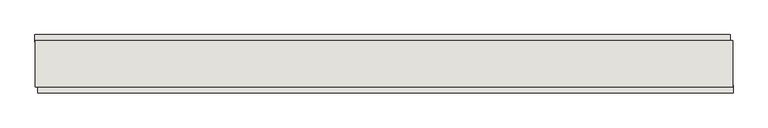
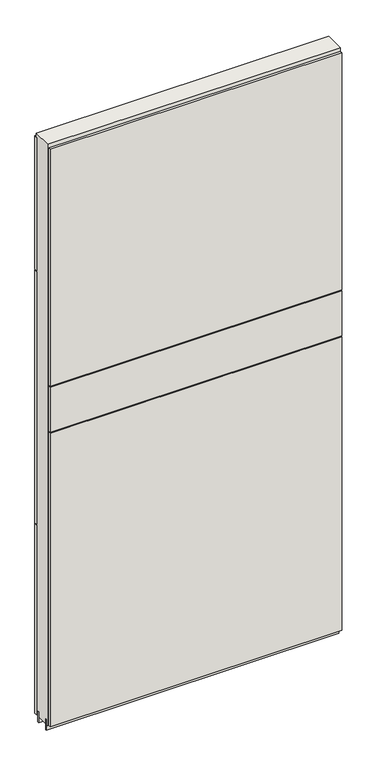
"""IFC4 building model written with IfcOpenShell, lengths in millimetres: wall geometry."""

from ifc_helpers import new_model, si_unit, frame, origin, place, context, project, spatial, polyline, outline, extrude, source, transform, mapped, element, save


def wall_7c0002fb(model_context):
    return source(origin(), model_context, "Body", "SweptSolid", [
        extrude(outline(polyline([(59847.5668172, -52822.2095954), (59850.1068172, -52822.2095954), (59850.1068172, -52824.7495954), (59847.5668172, -52824.7495954), (59847.5668172, -52822.2095954)])), frame((0.0, 0.0, 4419.6), z_axis=(0.0, 0.0, 1.0), x_axis=(1.0, 0.0, 0.0)), (0.0, 0.0, 1.0), 2.54),
        extrude(outline(polyline([(59850.5699354, -52874.2795954), (58635.3699274, -52874.2795954), (58635.3699274, -52861.5795954), (59850.5699354, -52861.5795954), (59850.5699354, -52874.2795954)])), frame((0.0, 0.0, 5945.6000722), z_axis=(0.0, 0.0, 1.0), x_axis=(1.0, 0.0, 0.0)), (0.0, 0.0, 1.0), 1044.449905),
        extrude(outline(polyline([(59850.5699354, -52874.2795954), (58635.3699274, -52874.2795954), (58635.3699274, -52861.5795954), (59850.5699354, -52861.5795954), (59850.5699354, -52874.2795954)])), frame((0.0, 0.0, 5742.3999706), z_axis=(0.0, 0.0, 1.0), x_axis=(1.0, 0.0, 0.0)), (0.0, 0.0, 1.0), 199.2000512),
        extrude(outline(polyline([(59850.5699354, -52874.2795954), (58635.3699274, -52874.2795954), (58635.3699274, -52861.5795954), (59850.5699354, -52861.5795954), (59850.5699354, -52874.2795954)])), frame((0.0, 0.0, 4445.0), z_axis=(0.0, 0.0, 1.0), x_axis=(1.0, 0.0, 0.0)), (0.0, 0.0, 1.0), 1293.400004),
        extrude(outline(polyline([(58630.4461882, -52772.6795954), (59845.6461962, -52772.6795954), (59845.6461962, -52785.3795954), (58630.4461882, -52785.3795954), (58630.4461882, -52772.6795954)])), frame((0.0, 0.0, 6402.8000722), z_axis=(0.0, 0.0, 1.0), x_axis=(1.0, 0.0, 0.0)), (0.0, 0.0, 1.0), 587.2498034),
        extrude(outline(polyline([(58630.4461882, -52772.6795954), (59845.6461962, -52772.6795954), (59845.6461962, -52785.3795954), (58630.4461882, -52785.3795954), (58630.4461882, -52772.6795954)])), frame((0.0, 0.0, 5285.2000722), z_axis=(0.0, 0.0, 1.0), x_axis=(1.0, 0.0, 0.0)), (0.0, 0.0, 1.0), 1113.5999572),
        extrude(outline(polyline([(58630.4461882, -52772.6795954), (59845.6461962, -52772.6795954), (59845.6461962, -52785.3795954), (58630.4461882, -52785.3795954), (58630.4461882, -52772.6795954)])), frame((0.0, 0.0, 4445.0), z_axis=(0.0, 0.0, 1.0), x_axis=(1.0, 0.0, 0.0)), (0.0, 0.0, 1.0), 836.200004),
        extrude(outline(polyline([(58630.8956666, -52848.56334), (59850.0956666, -52848.56334), (59850.0956666, -52853.6420954), (58630.8956666, -52853.6420954), (58630.8956666, -52848.56334)])), frame((0.0, 0.0, 4418.6602), z_axis=(0.0, 0.0, 1.0), x_axis=(1.0, 0.0, 0.0)), (0.0, 0.0, 1.0), 47.625),
        extrude(outline(polyline([(58630.8956666, -52848.56334), (59850.0956666, -52848.56334), (59850.0956666, -52853.6420954), (58630.8956666, -52853.6420954), (58630.8956666, -52848.56334)])), frame((0.0, 0.0, 4418.6602), z_axis=(0.0, 0.0, 1.0), x_axis=(1.0, 0.0, 0.0)), (0.0, 0.0, 1.0), 47.625),
        extrude(outline(polyline([(59850.0956666, -52798.3958508), (58630.8956666, -52798.3958508), (58630.8956666, -52793.3170954), (59850.0956666, -52793.3170954), (59850.0956666, -52798.3958508)])), frame((0.0, 0.0, 4418.6602), z_axis=(0.0, 0.0, 1.0), x_axis=(1.0, 0.0, 0.0)), (0.0, 0.0, 1.0), 47.625),
        extrude(outline(polyline([(59850.0956666, -52798.3958508), (58630.8956666, -52798.3958508), (58630.8956666, -52793.3170954), (59850.0956666, -52793.3170954), (59850.0956666, -52798.3958508)])), frame((0.0, 0.0, 4418.6602), z_axis=(0.0, 0.0, 1.0), x_axis=(1.0, 0.0, 0.0)), (0.0, 0.0, 1.0), 47.625),
        extrude(outline(polyline([(58630.8956666, -52864.1282822), (58630.8956666, -52782.824711), (59850.0956666, -52782.824711), (59850.0956666, -52864.1282822), (58630.8956666, -52864.1282822)])), frame((0.0, 0.0, 4445.0), z_axis=(0.0, 0.0, 1.0), x_axis=(1.0, 0.0, 0.0)), (0.0, 0.0, 1.0), 2562.4536762),
    ])


if __name__ == "__main__":
    model = new_model("IFC4")
    model_context = context("Model", 3, world=origin())
    ifc_project = project(units=[si_unit("LENGTHUNIT", "METRE", prefix="MILLI")], contexts=[model_context])
    site = spatial("IfcSite", under=ifc_project)
    building = spatial("IfcBuilding", under=site)
    placement = place(None, origin())
    wall_shape = wall_7c0002fb(model_context)
    element("IfcWall", 1, at=placement, inside=building, context=model_context, shape_type="MappedRepresentation", body=[
        mapped(wall_shape, transform((0.0, 0.0, 0.0), x_axis=(1.0, 0.0, 0.0), y_axis=(0.0, 1.0, 0.0), z_axis=(0.0, 0.0, 1.0))),
    ])
    save(model, "model.ifc")
